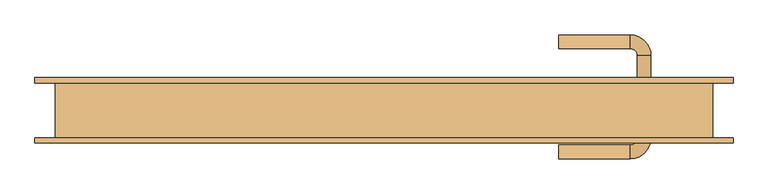
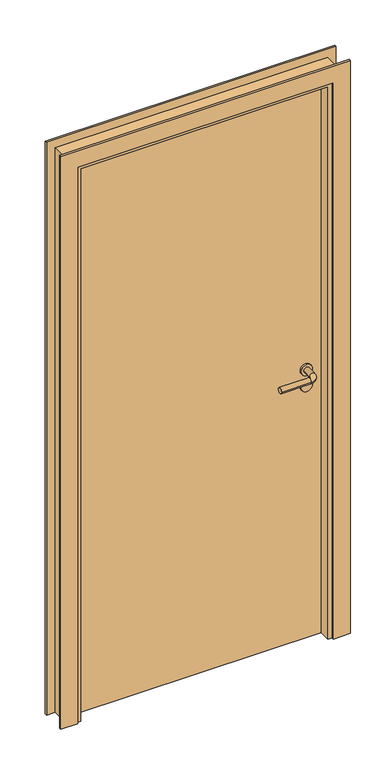
"""IFC4 building model written with IfcOpenShell, lengths in millimetres: door geometry."""

from ifc_helpers import new_model, si_unit, point, frame, frame_2d, origin, origin_with_axes, place, context, project, spatial, polyline, circle_curve, ellipse_curve, trimmed, segment, composite_curve, outline, extrude, faceted_brep, source, transform, mapped, element, save
from ifc_brep_helpers import plane_surface, cylinder_surface, revolved_surface, advanced_brep


def door_d5ba2f3e(model_context):
    return source(origin(), model_context, "Body", "SolidModel", [
        advanced_brep(
        [(400.0, -6.5831809, 1000.0), (360.0, -6.5831809, 1000.0), (390.0, -6.5831809, 1000.0), (370.0, -6.5831809, 1000.0), (400.0, 0.0, 1000.0), (360.0, 0.0, 1000.0), (255.0, -70.6350833, 1000.0), (255.0, -50.6350833, 1000.0), (390.0, -40.6350833, 1000.0), (370.0, -40.6350833, 1000.0), (360.0, -50.6350833, 1000.0), (360.0, -70.6350833, 1000.0)],
        [
            (0, 1, circle_curve(frame((380.0, -6.5831809, 1000.0), z_axis=(0.0, -1.0, 0.0), x_axis=(-1.0, 0.0, 0.0)), 20.0)),
            (1, 0, circle_curve(frame((380.0, -6.5831809, 1000.0), z_axis=(0.0, -1.0, 0.0), x_axis=(-1.0, 0.0, 0.0)), 20.0)),
            (2, 3, circle_curve(frame((380.0, -6.5831809, 1000.0), z_axis=(0.0, 1.0, 0.0), x_axis=(-1.0, 0.0, 0.0)), 10.0)),
            (3, 2, circle_curve(frame((380.0, -6.5831809, 1000.0), z_axis=(0.0, 1.0, 0.0), x_axis=(-1.0, 0.0, 0.0)), 10.0)),
            (4, 5, circle_curve(frame((380.0, 0.0, 1000.0), z_axis=(0.0, 1.0, 0.0), x_axis=(-1.0, 0.0, 0.0)), 20.0)),
            (5, 4, circle_curve(frame((380.0, 0.0, 1000.0), z_axis=(0.0, 1.0, 0.0), x_axis=(-1.0, 0.0, 0.0)), 20.0)),
            (1, 5),
            (4, 0),
            (6, 7, circle_curve(frame((255.0, -60.6350833, 1000.0), z_axis=(-1.0, 0.0, 0.0), x_axis=(0.0, 1.0, 0.0)), 10.0)),
            (7, 6, circle_curve(frame((255.0, -60.6350833, 1000.0), z_axis=(-1.0, 0.0, 0.0), x_axis=(0.0, 1.0, 0.0)), 10.0)),
            (8, 2),
            (3, 9),
            (9, 8, circle_curve(frame((380.0, -40.6350833, 1000.0), z_axis=(0.0, 1.0, 0.0), x_axis=(-1.0, 0.0, 0.0)), 10.0)),
            (8, 9, circle_curve(frame((380.0, -40.6350833, 1000.0), z_axis=(0.0, 1.0, 0.0), x_axis=(-1.0, 0.0, 0.0)), 10.0)),
            (9, 10, circle_curve(frame((360.0, -40.6350833, 1000.0), z_axis=(0.0, 0.0, -1.0), x_axis=(1.0, 0.0, 0.0)), 10.0)),
            (10, 11, circle_curve(frame((360.0, -60.6350833, 1000.0), z_axis=(1.0, 0.0, 0.0), x_axis=(0.0, 1.0, 0.0)), 10.0)),
            (11, 8, circle_curve(frame((360.0, -40.6350833, 1000.0), z_axis=(0.0, 0.0, 1.0), x_axis=(1.0, 0.0, 0.0)), 30.0)),
            (11, 10, circle_curve(frame((360.0, -60.6350833, 1000.0), z_axis=(1.0, 0.0, 0.0), x_axis=(0.0, 1.0, 0.0)), 10.0)),
            (6, 11),
            (10, 7),
        ],
        [
            plane_surface(frame((360.0, -6.5831809, 1000.0), z_axis=(0.0, -1.0, 0.0), x_axis=(0.0, 0.0, 1.0))),
            plane_surface(frame((360.0, 0.0, 1000.0), z_axis=(0.0, 1.0, 0.0), x_axis=(0.0, 0.0, -1.0))),
            cylinder_surface(frame((380.0, 0.0, 1000.0), z_axis=(0.0, -1.0, 0.0), x_axis=(-1.0, 0.0, 0.0)), 20.0),
            plane_surface(frame((255.0, -60.6350833, 1000.0), z_axis=(-1.0, 0.0, 0.0), x_axis=(0.0, 0.0, -1.0))),
            cylinder_surface(frame((380.0, 0.0, 1000.0), z_axis=(0.0, 1.0, 0.0), x_axis=(-1.0, 0.0, 0.0)), 10.0),
            revolved_surface(trimmed(ellipse_curve(frame((380.0, -40.6350833, 1000.0), z_axis=(0.0, -1.0, 0.0), x_axis=(-1.0, 0.0, 0.0)), 10.0, 10.0), [point((390.0, -40.6350833, 1000.0))], [point((370.0, -40.6350833, 1000.0))], True, "CARTESIAN"), (360.0, -40.6350833, 1000.0), (0.0, 0.0, 1.0)),
            revolved_surface(trimmed(ellipse_curve(frame((380.0, -40.6350833, 1000.0), z_axis=(0.0, -1.0, 0.0), x_axis=(-1.0, 0.0, 0.0)), 10.0, 10.0), [point((370.0, -40.6350833, 1000.0))], [point((390.0, -40.6350833, 1000.0))], True, "CARTESIAN"), (360.0, -40.6350833, 1000.0), (0.0, 0.0, 1.0)),
            cylinder_surface(frame((360.0, -60.6350833, 1000.0), z_axis=(1.0, 0.0, 0.0), x_axis=(0.0, 1.0, 0.0)), 10.0),
        ],
        [
            (0, [[1, 2], [3, 4]]),
            (1, [[5, 6]]),
            (2, [[7, -5, 8, -2]]),
            (2, [[-8, -6, -7, -1]]),
            (3, [[9, 10]]),
            (4, [[11, -4, 12, 13]]),
            (4, [[-12, -3, -11, 14]]),
            (5, [[15, 16, 17, -13]]),
            (6, [[-17, 18, -15, -14]]),
            (7, [[19, -16, 20, -9]]),
            (7, [[-20, -18, -19, -10]]),
        ],
    ),
        extrude(outline(composite_curve([segment(trimmed(circle_curve(frame_2d((940.0, 380.0)), 20.0), [point((940.0, 400.0))], [point((940.0, 360.0))], False, "CARTESIAN"), True, "CONTINUOUS"), segment(trimmed(circle_curve(frame_2d((940.0, 380.0)), 20.0), [point((940.0, 360.0))], [point((940.0, 400.0))], False, "CARTESIAN"), True, "CONTINUOUS")], self_intersect=False)), frame((0.0, -6.5831809, 0.0), z_axis=(0.0, 1.0, 0.0), x_axis=(0.0, 0.0, 1.0)), (0.0, 0.0, 1.0), 6.5831809),
        advanced_brep(
        [(400.0, 46.5831809, 1000.0), (360.0, 46.5831809, 1000.0), (390.0, 46.5831809, 1000.0), (370.0, 46.5831809, 1000.0), (400.0, 40.0, 1000.0), (360.0, 40.0, 1000.0), (255.0, 110.6350833, 1000.0), (255.0, 90.6350833, 1000.0), (390.0, 80.6350833, 1000.0), (370.0, 80.6350833, 1000.0), (360.0, 110.6350833, 1000.0), (360.0, 90.6350833, 1000.0)],
        [
            (0, 1, circle_curve(frame((380.0, 46.5831809, 1000.0), z_axis=(0.0, 1.0, 0.0), x_axis=(-1.0, 0.0, 0.0)), 20.0)),
            (1, 0, circle_curve(frame((380.0, 46.5831809, 1000.0), z_axis=(0.0, 1.0, 0.0), x_axis=(-1.0, 0.0, 0.0)), 20.0)),
            (2, 3, circle_curve(frame((380.0, 46.5831809, 1000.0), z_axis=(0.0, -1.0, 0.0), x_axis=(-1.0, 0.0, 0.0)), 10.0)),
            (3, 2, circle_curve(frame((380.0, 46.5831809, 1000.0), z_axis=(0.0, -1.0, 0.0), x_axis=(-1.0, 0.0, 0.0)), 10.0)),
            (4, 5, circle_curve(frame((380.0, 40.0, 1000.0), z_axis=(0.0, -1.0, 0.0), x_axis=(-1.0, 0.0, 0.0)), 20.0)),
            (5, 4, circle_curve(frame((380.0, 40.0, 1000.0), z_axis=(0.0, -1.0, 0.0), x_axis=(-1.0, 0.0, 0.0)), 20.0)),
            (0, 4),
            (5, 1),
            (6, 7, circle_curve(frame((255.0, 100.6350833, 1000.0), z_axis=(-1.0, 0.0, 0.0), x_axis=(0.0, -1.0, 0.0)), 10.0)),
            (7, 6, circle_curve(frame((255.0, 100.6350833, 1000.0), z_axis=(-1.0, 0.0, 0.0), x_axis=(0.0, -1.0, 0.0)), 10.0)),
            (8, 9, circle_curve(frame((380.0, 80.6350833, 1000.0), z_axis=(0.0, -1.0, 0.0), x_axis=(-1.0, 0.0, 0.0)), 10.0)),
            (9, 3),
            (2, 8),
            (9, 8, circle_curve(frame((380.0, 80.6350833, 1000.0), z_axis=(0.0, -1.0, 0.0), x_axis=(-1.0, 0.0, 0.0)), 10.0)),
            (8, 10, circle_curve(frame((360.0, 80.6350833, 1000.0), z_axis=(0.0, 0.0, 1.0), x_axis=(1.0, 0.0, 0.0)), 30.0)),
            (10, 11, circle_curve(frame((360.0, 100.6350833, 1000.0), z_axis=(1.0, 0.0, 0.0), x_axis=(0.0, -1.0, 0.0)), 10.0)),
            (11, 9, circle_curve(frame((360.0, 80.6350833, 1000.0), z_axis=(0.0, 0.0, -1.0), x_axis=(1.0, 0.0, 0.0)), 10.0)),
            (11, 10, circle_curve(frame((360.0, 100.6350833, 1000.0), z_axis=(1.0, 0.0, 0.0), x_axis=(0.0, -1.0, 0.0)), 10.0)),
            (7, 11),
            (10, 6),
        ],
        [
            plane_surface(frame((360.0, 46.5831809, 1000.0), z_axis=(0.0, 1.0, 0.0), x_axis=(0.0, 0.0, 1.0))),
            plane_surface(frame((360.0, 40.0, 1000.0), z_axis=(0.0, -1.0, 0.0), x_axis=(0.0, 0.0, -1.0))),
            cylinder_surface(frame((380.0, 40.0, 1000.0), z_axis=(0.0, 1.0, 0.0), x_axis=(-1.0, 0.0, 0.0)), 20.0),
            plane_surface(frame((255.0, 100.6350833, 1000.0), z_axis=(-1.0, 0.0, 0.0), x_axis=(0.0, 0.0, -1.0))),
            cylinder_surface(frame((380.0, 40.0, 1000.0), z_axis=(0.0, -1.0, 0.0), x_axis=(-1.0, 0.0, 0.0)), 10.0),
            revolved_surface(trimmed(ellipse_curve(frame((380.0, 80.6350833, 1000.0), z_axis=(0.0, -1.0, 0.0), x_axis=(-1.0, 0.0, 0.0)), 10.0, 10.0), [point((390.0, 80.6350833, 1000.0))], [point((370.0, 80.6350833, 1000.0))], True, "CARTESIAN"), (360.0, 80.6350833, 1000.0), (0.0, 0.0, 1.0)),
            revolved_surface(trimmed(ellipse_curve(frame((380.0, 80.6350833, 1000.0), z_axis=(0.0, -1.0, 0.0), x_axis=(-1.0, 0.0, 0.0)), 10.0, 10.0), [point((370.0, 80.6350833, 1000.0))], [point((390.0, 80.6350833, 1000.0))], True, "CARTESIAN"), (360.0, 80.6350833, 1000.0), (0.0, 0.0, 1.0)),
            cylinder_surface(frame((360.0, 100.6350833, 1000.0), z_axis=(1.0, 0.0, 0.0), x_axis=(0.0, -1.0, 0.0)), 10.0),
        ],
        [
            (0, [[1, 2], [3, 4]]),
            (1, [[5, 6]]),
            (2, [[-1, 7, -6, 8]]),
            (2, [[-2, -8, -5, -7]]),
            (3, [[9, 10]]),
            (4, [[11, 12, -3, 13]]),
            (4, [[14, -13, -4, -12]]),
            (5, [[-11, 15, 16, 17]]),
            (6, [[-14, -17, 18, -15]]),
            (7, [[-10, 19, -16, 20]]),
            (7, [[-9, -20, -18, -19]]),
        ],
    ),
        extrude(outline(composite_curve([segment(trimmed(circle_curve(frame_2d((940.0, 380.0)), 20.0), [point((940.0, 400.0))], [point((940.0, 360.0))], False, "CARTESIAN"), True, "CONTINUOUS"), segment(trimmed(circle_curve(frame_2d((940.0, 380.0)), 20.0), [point((940.0, 360.0))], [point((940.0, 400.0))], False, "CARTESIAN"), True, "CONTINUOUS")], self_intersect=False)), frame((0.0, 40.0, 0.0), z_axis=(0.0, 1.0, 0.0), x_axis=(0.0, 0.0, 1.0)), (0.0, 0.0, 1.0), 6.5831809),
        extrude(outline(polyline([(-450.0, 20.0), (450.0, 20.0), (450.0, 0.0), (-450.0, 0.0), (-450.0, 20.0)])), origin_with_axes(), (0.0, 0.0, 1.0), 2070.0),
        extrude(outline(polyline([(450.0, 20.0), (-450.0, 20.0), (-450.0, 40.0), (450.0, 40.0), (450.0, 20.0)])), origin_with_axes(), (0.0, 0.0, 1.0), 2070.0),
        extrude(outline(polyline([(0.0, -450.0), (2070.0, -450.0), (2070.0, 450.0), (0.0, 450.0), (0.0, 510.0), (2130.0, 510.0), (2130.0, -510.0), (0.0, -510.0), (0.0, -450.0)])), frame((0.0, 40.0, 0.0), z_axis=(0.0, 1.0, 0.0), x_axis=(0.0, 0.0, 1.0)), (0.0, 0.0, 1.0), 8.0),
        extrude(outline(polyline([(0.0, -510.0), (0.0, -450.0), (2070.0, -450.0), (2070.0, 450.0), (0.0, 450.0), (0.0, 510.0), (2130.0, 510.0), (2130.0, -510.0), (0.0, -510.0)])), frame((0.0, -48.0, 0.0), z_axis=(0.0, 1.0, 0.0), x_axis=(0.0, 0.0, 1.0)), (0.0, 0.0, 1.0), 8.0),
        faceted_brep([(-450.0, 0.0, 0.0), (-435.0, 0.0, 0.0), (-435.0, -40.0, 0.0), (-480.0, -40.0, 0.0), (-480.0, 40.0, 0.0), (-450.0, 40.0, 0.0), (-450.0, 0.0, 2070.0), (450.0, 0.0, 2070.0), (450.0, 0.0, 0.0), (435.0, 0.0, 0.0), (435.0, 0.0, 2055.0), (-435.0, 0.0, 2055.0), (-435.0, -40.0, 2055.0), (435.0, -40.0, 2055.0), (435.0, -40.0, 0.0), (480.0, -40.0, 0.0), (480.0, -40.0, 2100.0), (-480.0, -40.0, 2100.0), (-480.0, 40.0, 2100.0), (480.0, 40.0, 2100.0), (480.0, 40.0, 0.0), (450.0, 40.0, 0.0), (450.0, 40.0, 2070.0), (-450.0, 40.0, 2070.0)], [[[0, 1, 2, 3, 4, 5]], [[1, 0, 6, 7, 8, 9, 10, 11]], [[2, 1, 11, 12]], [[3, 2, 12, 13, 14, 15, 16, 17]], [[4, 3, 17, 18]], [[5, 4, 18, 19, 20, 21, 22, 23]], [[0, 5, 23, 6]], [[12, 11, 10, 13]], [[18, 17, 16, 19]], [[6, 23, 22, 7]], [[8, 21, 20, 15, 14, 9]], [[13, 10, 9, 14]], [[19, 16, 15, 20]], [[7, 22, 21, 8]]]),
    ])


if __name__ == "__main__":
    model = new_model("IFC4")
    model_context = context("Model", 3, world=origin())
    ifc_project = project(units=[si_unit("LENGTHUNIT", "METRE", prefix="MILLI")], contexts=[model_context])
    site = spatial("IfcSite", under=ifc_project)
    building = spatial("IfcBuilding", under=site)
    placement = place(None, origin())
    door_shape = door_d5ba2f3e(model_context)
    element("IfcDoor", 1, at=placement, inside=building, context=model_context, shape_type="MappedRepresentation", body=[
        mapped(door_shape, transform((0.0, 0.0, 0.0), x_axis=(1.0, 0.0, 0.0), y_axis=(0.0, 1.0, 0.0), z_axis=(0.0, 0.0, 1.0))),
    ])
    save(model, "model.ifc")
